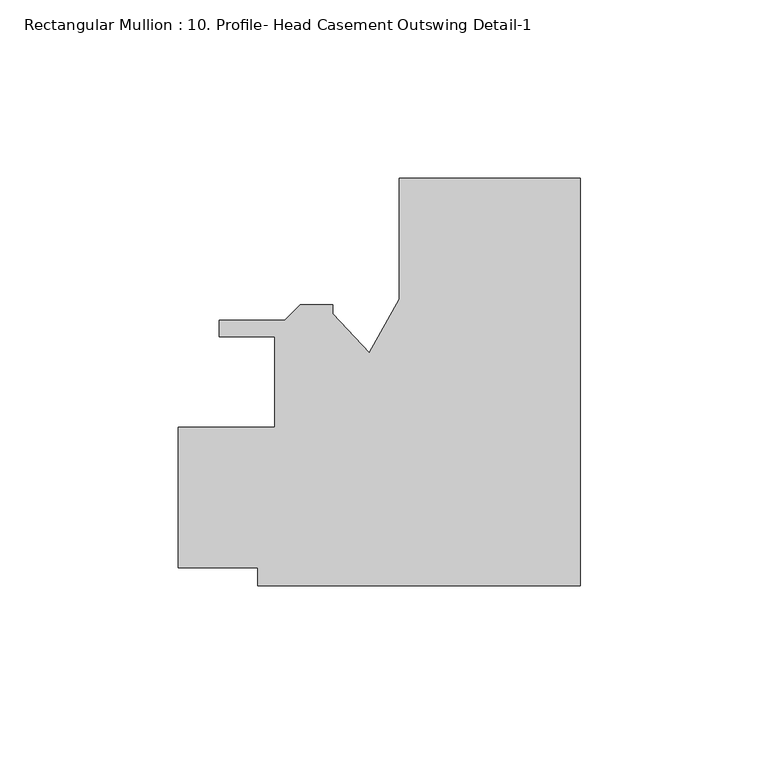
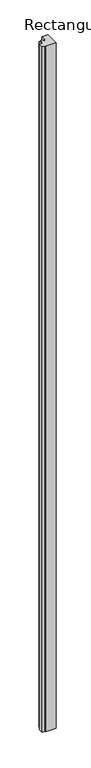
"""IFC4 building model written with IfcOpenShell, lengths in millimetres: member geometry, Rectangular Mullion : 10. Profile- Head Casement Outswing Detail-1."""

from ifc_helpers import new_model, si_unit, frame, origin, place, context, project, spatial, polyline, outline, extrude, source, transform, mapped, element, save


def rectangular_mullion_10_profile_head_casement_outswing_detail_dad8e94e(model_context):
    return source(origin(), model_context, "Body", "SweptSolid", [
        extrude(outline(polyline([(0.0, 57.1532734), (0.0, -57.1467901), (-90.4875, -57.1467901), (-90.4875, -52.0667266), (-112.7125, -52.0667266), (-112.7125, -12.6967268), (-85.7250005, -12.6967268), (-85.7250005, 12.7032732), (-101.2221564, 12.7032732), (-101.2221564, 17.4022734), (-82.8436417, 17.4022734), (-78.5764417, 21.6694734), (-69.4761495, 21.6694734), (-69.4761495, 19.1294735), (-59.1458639, 8.2826736), (-50.8, 23.1934735), (-50.8, 57.1532734), (0.0, 57.1532734)])), frame((0.0, 0.0, -6032.5), z_axis=(0.0, 0.0, 1.0), x_axis=(1.0, 0.0, 0.0)), (0.0, 0.0, 1.0), 6032.5),
    ])


if __name__ == "__main__":
    model = new_model("IFC4")
    model_context = context("Model", 3, world=origin())
    ifc_project = project(units=[si_unit("LENGTHUNIT", "METRE", prefix="MILLI")], contexts=[model_context])
    site = spatial("IfcSite", under=ifc_project)
    building = spatial("IfcBuilding", under=site)
    placement = place(None, origin())
    rectangular_mullion_10_profile_head_casement_outswing_detail_shape = rectangular_mullion_10_profile_head_casement_outswing_detail_dad8e94e(model_context)
    element("IfcMember", 1, ObjectType="Rectangular Mullion : 10. Profile- Head Casement Outswing Detail-1", at=placement, inside=building, context=model_context, shape_type="MappedRepresentation", body=[
        mapped(rectangular_mullion_10_profile_head_casement_outswing_detail_shape, transform((0.0, 0.0, 0.0), x_axis=(1.0, 0.0, 0.0), y_axis=(0.0, 1.0, 0.0), z_axis=(0.0, 0.0, 1.0))),
    ])
    save(model, "model.ifc")
